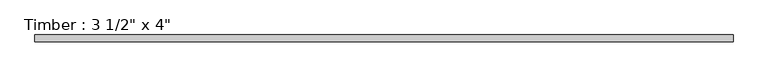
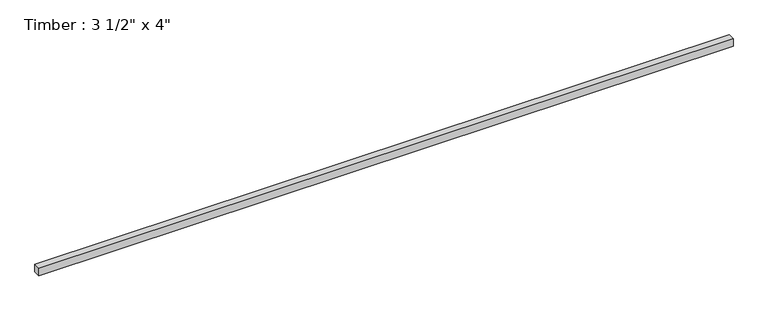
"""IFC4 building model written with IfcOpenShell, lengths in millimetres: beam geometry."""

from ifc_helpers import new_model, si_unit, frame, origin, place, context, project, spatial, polyline, outline, extrude, source, transform, mapped, element, save


def beam_3d01191b(model_context):
    return source(origin(), model_context, "Body", "SweptSolid", [
        extrude(outline(polyline([(4408.4607031, 44.45), (4408.4607031, -44.45), (-4408.4607031, -44.45), (-4408.4607031, 44.45), (4408.4607031, 44.45)])), frame((0.0, 0.0, -50.8), z_axis=(0.0, 0.0, 1.0), x_axis=(1.0, 0.0, 0.0)), (0.0, 0.0, 1.0), 101.6),
    ])


if __name__ == "__main__":
    model = new_model("IFC4")
    model_context = context("Model", 3, world=origin())
    ifc_project = project(units=[si_unit("LENGTHUNIT", "METRE", prefix="MILLI")], contexts=[model_context])
    site = spatial("IfcSite", under=ifc_project)
    building = spatial("IfcBuilding", under=site)
    placement = place(None, origin())
    beam_shape = beam_3d01191b(model_context)
    element("IfcBeam", 1, ObjectType="Timber : 3 1/2\" x 4\"", at=placement, inside=building, context=model_context, shape_type="MappedRepresentation", body=[
        mapped(beam_shape, transform((0.0, 0.0, 0.0), x_axis=(1.0, 0.0, 0.0), y_axis=(0.0, 1.0, 0.0), z_axis=(0.0, 0.0, 1.0))),
    ])
    save(model, "model.ifc")
